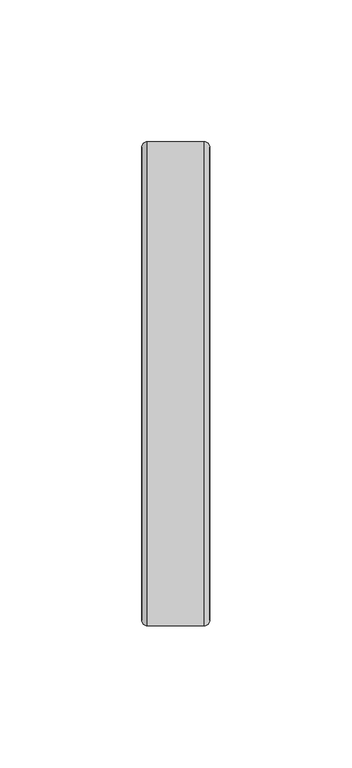
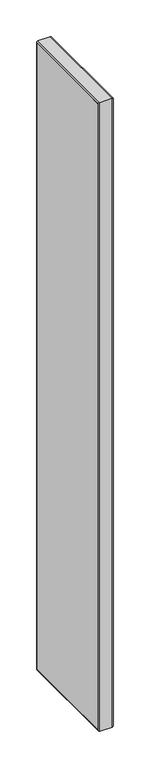
"""IFC4 building model written with IfcOpenShell, lengths in millimetres: furniture geometry."""

from ifc_helpers import new_model, si_unit, frame, origin, place, context, project, spatial, polyline, ellipse_curve, outline, extrude, source, transform, mapped, element, save
from ifc_brep_helpers import plane_surface, cylinder_surface, advanced_brep


def furniture_c8b72d28(model_context):
    return source(origin(), model_context, "Body", "SolidModel", [
        extrude(outline(polyline([(0.0254, -125.8316), (0.0254, 40.8432), (24.0253997, 40.8432), (24.0253997, -125.8316), (0.0254, -125.8316)])), frame((0.0, 0.0, 1.9812), z_axis=(0.0, 0.0, 1.0), x_axis=(1.0, 0.0, 0.0)), (0.0, 0.0, 1.0), 1050.8234),
        advanced_brep(
        [(24.0253997, -125.8316, 1052.8046), (22.0187997, -127.8382, 1054.8112), (22.0187997, -127.8382, -0.0254), (24.0253997, -125.8316, 1.9812), (2.032, -127.8382, 1054.8112), (2.032, -127.8382, -0.0254), (0.0254, -125.8316, 1052.8046), (0.0254, -125.8316, 1.9812), (22.0187997, 42.8498, -0.0254), (24.0253997, 40.8432, 1.9812), (2.032, 42.8498, -0.0254), (0.0254, 40.8432, 1.9812), (22.0187997, 42.8498, 1054.8112), (24.0253997, 40.8432, 1052.8046), (2.032, 42.8498, 1054.8112), (0.0254, 40.8432, 1052.8046)],
        [
            (0, 1, ellipse_curve(frame((22.0187997, -125.8316, 1052.8046), z_axis=(0.0, -0.7071067811865475, -0.7071067811865475), x_axis=(0.0, -0.7071067811865474, 0.7071067811865476)), 2.8377609, 2.0066)),
            (1, 2),
            (2, 3, ellipse_curve(frame((22.0187997, -125.8316, 1.9812), z_axis=(0.0, -0.7071067811865475, 0.7071067811865475), x_axis=(0.0, 0.7071067811865474, 0.7071067811865476)), 2.8377609, 2.0066)),
            (3, 0),
            (1, 4),
            (4, 5),
            (5, 2),
            (4, 6, ellipse_curve(frame((2.032, -125.8316, 1052.8046), z_axis=(0.0, -0.7071067811865475, -0.7071067811865475), x_axis=(0.0, -0.7071067811865474, 0.7071067811865476)), 2.8377609, 2.0066)),
            (6, 7),
            (7, 5, ellipse_curve(frame((2.032, -125.8316, 1.9812), z_axis=(0.0, -0.7071067811865475, 0.7071067811865475), x_axis=(0.0, 0.7071067811865474, 0.7071067811865476)), 2.8377609, 2.0066)),
            (6, 0),
            (3, 7),
            (2, 8),
            (8, 9, ellipse_curve(frame((22.0187997, 40.8432, 1.9812), z_axis=(0.0, -0.7071067811865475, -0.7071067811865475), x_axis=(0.0, -0.7071067811865476, 0.7071067811865474)), 2.8377609, 2.0066)),
            (9, 3),
            (5, 10),
            (10, 8),
            (7, 11),
            (11, 10, ellipse_curve(frame((2.032, 40.8432, 1.9812), z_axis=(0.0, -0.7071067811865475, -0.7071067811865475), x_axis=(0.0, -0.7071067811865476, 0.7071067811865474)), 2.8377609, 2.0066)),
            (9, 11),
            (8, 12),
            (12, 13, ellipse_curve(frame((22.0187997, 40.8432, 1052.8046), z_axis=(0.0, 0.7071067811865475, -0.7071067811865475), x_axis=(0.0, -0.7071067811865474, -0.7071067811865476)), 2.8377609, 2.0066)),
            (13, 9),
            (10, 14),
            (14, 12),
            (11, 15),
            (15, 14, ellipse_curve(frame((2.032, 40.8432, 1052.8046), z_axis=(0.0, 0.7071067811865475, -0.7071067811865475), x_axis=(0.0, -0.7071067811865474, -0.7071067811865476)), 2.8377609, 2.0066)),
            (13, 15),
            (12, 1),
            (0, 13),
            (14, 4),
            (15, 6),
        ],
        [
            cylinder_surface(frame((22.0187997, -125.8316, 1052.8046), z_axis=(0.0, 0.0, 1.0), x_axis=(0.0, -1.0, 0.0)), 2.0066),
            plane_surface(frame((2.032, -127.8382, 1054.8112), z_axis=(0.0, -1.0, 0.0), x_axis=(0.0, 0.0, -1.0))),
            cylinder_surface(frame((2.032, -125.8316, 1052.8046), z_axis=(0.0, 0.0, 1.0), x_axis=(0.0, -1.0, 0.0)), 2.0066),
            plane_surface(frame((24.0253997, -125.8316, 1052.8046), z_axis=(0.0, 1.0, 0.0), x_axis=(0.0, 0.0, -1.0))),
            cylinder_surface(frame((22.0187997, -125.8316, 1.9812), z_axis=(0.0, -1.0, 0.0), x_axis=(0.0, 0.0, -1.0)), 2.0066),
            plane_surface(frame((2.032, -127.8382, -0.0254), z_axis=(0.0, 0.0, -1.0), x_axis=(0.0, 1.0, 0.0))),
            cylinder_surface(frame((2.032, -125.8316, 1.9812), z_axis=(0.0, -1.0, 0.0), x_axis=(0.0, 0.0, -1.0)), 2.0066),
            plane_surface(frame((24.0253997, -125.8316, 1.9812), z_axis=(0.0, 0.0, 1.0), x_axis=(0.0, 1.0, 0.0))),
            cylinder_surface(frame((22.0187997, 40.8432, 1.9812), z_axis=(0.0, 0.0, -1.0), x_axis=(0.0, 1.0, 0.0)), 2.0066),
            plane_surface(frame((2.032, 42.8498, -0.0254), z_axis=(0.0, 1.0, 0.0), x_axis=(0.0, 0.0, 1.0))),
            cylinder_surface(frame((2.032, 40.8432, 1.9812), z_axis=(0.0, 0.0, -1.0), x_axis=(0.0, 1.0, 0.0)), 2.0066),
            plane_surface(frame((24.0253997, 40.8432, 1.9812), z_axis=(0.0, -1.0, 0.0), x_axis=(0.0, 0.0, 1.0))),
            cylinder_surface(frame((22.0187997, 40.8432, 1052.8046), z_axis=(0.0, 1.0, 0.0), x_axis=(0.0, 0.0, 1.0)), 2.0066),
            plane_surface(frame((2.032, 42.8498, 1054.8112), z_axis=(0.0, 0.0, 1.0), x_axis=(0.0, -1.0, 0.0))),
            cylinder_surface(frame((2.032, 40.8432, 1052.8046), z_axis=(0.0, 1.0, 0.0), x_axis=(0.0, 0.0, 1.0)), 2.0066),
            plane_surface(frame((24.0253997, 40.8432, 1052.8046), z_axis=(0.0, 0.0, -1.0), x_axis=(0.0, -1.0, 0.0))),
        ],
        [
            (0, [[1, 2, 3, 4]]),
            (1, [[5, 6, 7, -2]]),
            (2, [[8, 9, 10, -6]]),
            (3, [[11, -4, 12, -9]]),
            (4, [[-3, 13, 14, 15]]),
            (5, [[-7, 16, 17, -13]]),
            (6, [[-10, 18, 19, -16]]),
            (7, [[-12, -15, 20, -18]]),
            (8, [[-14, 21, 22, 23]]),
            (9, [[-17, 24, 25, -21]]),
            (10, [[-19, 26, 27, -24]]),
            (11, [[-20, -23, 28, -26]]),
            (12, [[-22, 29, -1, 30]]),
            (13, [[-25, 31, -5, -29]]),
            (14, [[-27, 32, -8, -31]]),
            (15, [[-28, -30, -11, -32]]),
        ],
    ),
    ])


if __name__ == "__main__":
    model = new_model("IFC4")
    model_context = context("Model", 3, world=origin())
    ifc_project = project(units=[si_unit("LENGTHUNIT", "METRE", prefix="MILLI")], contexts=[model_context])
    site = spatial("IfcSite", under=ifc_project)
    building = spatial("IfcBuilding", under=site)
    placement = place(None, origin())
    furniture_shape = furniture_c8b72d28(model_context)
    element("IfcFurniture", 1, at=placement, inside=building, context=model_context, shape_type="MappedRepresentation", body=[
        mapped(furniture_shape, transform((0.0, 0.0, 0.0), x_axis=(1.0, 0.0, 0.0), y_axis=(0.0, 1.0, 0.0), z_axis=(0.0, 0.0, 1.0))),
    ])
    save(model, "model.ifc")
